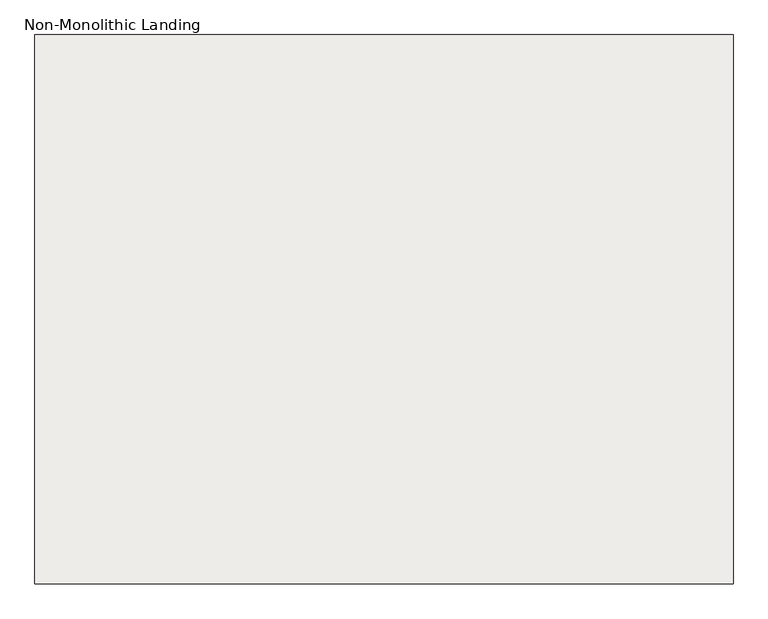
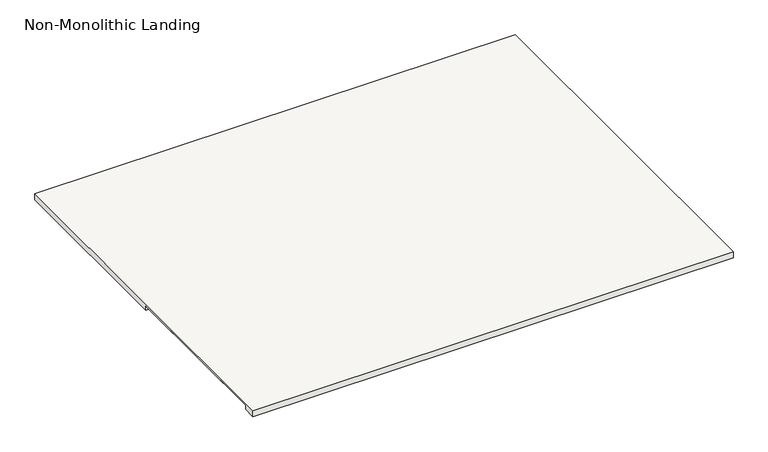
"""IFC4 building model written with IfcOpenShell, lengths in millimetres: slab geometry, Non-Monolithic Landing."""

from ifc_helpers import new_model, si_unit, origin, place, context, project, spatial, faceted_brep, source, transform, mapped, element, save


def non_monolithic_landing_bb3fda1b(model_context):
    return source(origin(), model_context, "Body", "Brep", [
        faceted_brep([(-542107.7675922, -3044.3663899, 2032.0), (-538297.7675922, -3044.3663899, 2032.0), (-538297.7675922, -47.1663899, 2032.0), (-542107.7675922, -47.1663899, 2032.0), (-542082.3675922, -1571.1663899, 1981.2), (-542107.7675922, -1571.1663899, 1981.2), (-542107.7675922, -47.1663899, 1981.2), (-538297.7675922, -47.1663899, 1981.2), (-538297.7675922, -3044.3663899, 1981.2), (-542107.7675922, -3044.3663899, 1981.2), (-542107.7675922, -2942.7663899, 1981.2), (-542082.3675922, -2942.7663899, 1981.2), (-542082.3675922, -1571.1663899, 1987.55), (-542107.7675922, -1571.1663899, 2012.95), (-542082.3675922, -2942.7663899, 1987.55), (-542107.7675922, -2942.7663899, 2012.95)], [[[0, 1, 2, 3]], [[4, 5, 6, 7, 8, 9, 10, 11]], [[1, 0, 9, 8]], [[2, 1, 8, 7]], [[3, 2, 7, 6]], [[5, 4, 12, 13]], [[4, 11, 14, 12]], [[15, 13, 12, 14]], [[11, 10, 15, 14]], [[0, 3, 6, 5, 13, 15, 10, 9]]]),
    ])


if __name__ == "__main__":
    model = new_model("IFC4")
    model_context = context("Model", 3, world=origin())
    ifc_project = project(units=[si_unit("LENGTHUNIT", "METRE", prefix="MILLI")], contexts=[model_context])
    site = spatial("IfcSite", under=ifc_project)
    building = spatial("IfcBuilding", under=site)
    placement = place(None, origin())
    non_monolithic_landing_shape = non_monolithic_landing_bb3fda1b(model_context)
    element("IfcSlab", 1, ObjectType="Non-Monolithic Landing", at=placement, inside=building, context=model_context, shape_type="MappedRepresentation", body=[
        mapped(non_monolithic_landing_shape, transform((0.0, 0.0, 0.0), x_axis=(1.0, 0.0, 0.0), y_axis=(0.0, 1.0, 0.0), z_axis=(0.0, 0.0, 1.0))),
    ])
    save(model, "model.ifc")
